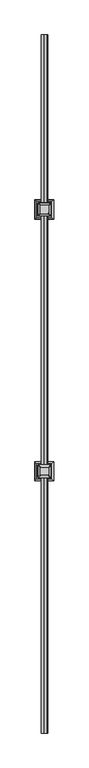
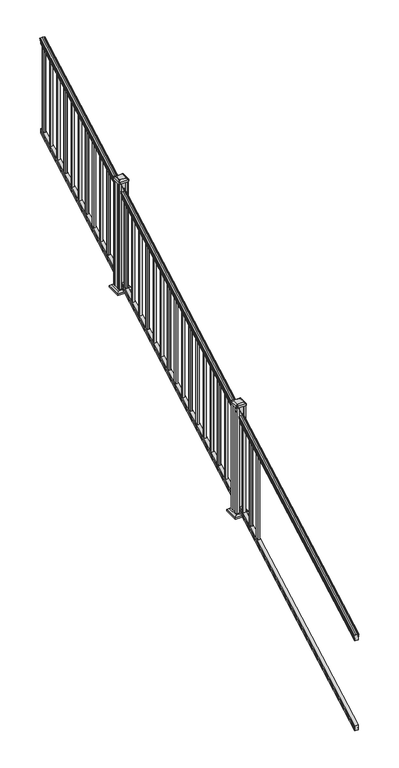
"""IFC4 building model written with IfcOpenShell, lengths in millimetres: railing geometry."""

from ifc_helpers import new_model, si_unit, point, frame, frame_2d, origin, place, context, project, spatial, polyline, circle_curve, ellipse_curve, trimmed, segment, composite_curve, outline, extrude, faceted_brep, source, transform, mapped, element, save
from ifc_brep_helpers import plane_surface, cylinder_surface, revolved_surface, extruded_surface, advanced_brep


def railing_5afc1cf2(model_context):
    return source(origin(), model_context, "Body", "SolidModel", [
        advanced_brep(
        [(7615.0270946, 1778.9805319, 1111.1933), (7615.0270946, 1778.9805319, 1113.3531886), (7616.1572809, 1778.9805319, 1115.140347), (7616.1572809, 1778.9805319, 1123.3974153), (7615.5080245, 1778.9805319, 1126.1811654), (7618.0080245, 1778.9805319, 1131.1346527), (7619.417367, 1778.9805319, 1133.0560334), (7619.819266, 1778.9805319, 1134.3198045), (7619.8192659, 1778.9805319, 1135.8530343), (7618.2658186, 1778.9805319, 1137.6301141), (7597.5942659, 1778.9805319, 1137.6301141), (7576.9227131, 1778.9805319, 1137.6301141), (7575.3692659, 1778.9805319, 1135.8530343), (7575.3692659, 1778.9805319, 1134.3198045), (7575.7711648, 1778.9805319, 1133.0560334), (7577.1805072, 1778.9805319, 1131.1346527), (7579.6805072, 1778.9805319, 1126.1811654), (7579.0312508, 1778.9805319, 1123.3974153), (7579.0312508, 1778.9805319, 1115.140347), (7580.1614371, 1778.9805319, 1113.3531886), (7580.1614371, 1778.9805319, 1111.1933), (7582.7352659, 1778.9805319, 1111.1933), (7582.7352659, 1778.9805319, 1099.182302), (7581.7192659, 1778.9805319, 1098.0200397), (7581.7192659, 1778.9805319, 1083.7333333), (7613.4692659, 1778.9805319, 1083.7333333), (7613.4692659, 1778.9805319, 1097.8395054), (7612.4532659, 1778.9805319, 1099.0017677), (7612.4532659, 1778.9805319, 1111.1933), (7615.0270946, 6655.7805319, 3820.5266334), (7612.4532659, 6655.7805319, 3820.5266334), (7612.4532659, 6655.7805319, 3808.335101), (7613.4692659, 6655.7805319, 3807.1728388), (7613.4692659, 6655.7805319, 3793.0666667), (7581.7192659, 6655.7805319, 3793.0666667), (7581.7192659, 6655.7805319, 3807.3533731), (7582.7352659, 6655.7805319, 3808.5156353), (7582.7352659, 6655.7805319, 3820.5266334), (7580.1614371, 6655.7805319, 3820.5266334), (7580.1614371, 6655.7805319, 3822.6865219), (7579.0312508, 6655.7805319, 3824.4736803), (7579.0312508, 6655.7805319, 3832.7307486), (7579.6805072, 6655.7805319, 3835.5144987), (7577.1805072, 6655.7805319, 3840.4679861), (7575.7711648, 6655.7805319, 3842.3893668), (7575.3692658, 6655.7805319, 3843.6531378), (7575.3692659, 6655.7805319, 3845.1863676), (7576.9227131, 6655.7805319, 3846.9634474), (7597.5942659, 6655.7805319, 3846.9634474), (7618.2658186, 6655.7805319, 3846.9634474), (7619.8192659, 6655.7805319, 3845.1863676), (7619.8192659, 6655.7805319, 3843.6531378), (7619.417367, 6655.7805319, 3842.3893668), (7618.0080245, 6655.7805319, 3840.4679861), (7615.5080245, 6655.7805319, 3835.5144987), (7616.1572809, 6655.7805319, 3832.7307486), (7616.1572809, 6655.7805319, 3824.4736803), (7615.0270946, 6655.7805319, 3822.6865219)],
        [
            (0, 1),
            (1, 2, ellipse_curve(frame((7608.7123413, 1778.9805319, 1119.9403628), z_axis=(0.0, -1.0, 0.0), x_axis=(0.0, 0.0, -0.9999999999999999)), 9.7762168, 8.545951)),
            (2, 3, ellipse_curve(frame((7609.1494043, 1778.9805319, 1119.2688811), z_axis=(0.0, -1.0, 0.0), x_axis=(0.0, 0.0, -0.9999999999999999)), 9.0173521, 7.882584)),
            (3, 4, ellipse_curve(frame((7619.6627284, 1778.9805319, 1125.9582895), z_axis=(0.0, 1.0, 0.0), x_axis=(0.0, 0.0, 0.9999999999999999)), 4.7580334, 4.1592695)),
            (4, 5, ellipse_curve(frame((7620.950035, 1778.9805319, 1125.8892329), z_axis=(0.0, 1.0, 0.0), x_axis=(0.0, 0.0, 0.9999999999999999)), 6.2322774, 5.4479907)),
            (5, 6, ellipse_curve(frame((7619.7168765, 1778.9805319, 1131.1314345), z_axis=(0.0, 1.0, 0.0), x_axis=(0.0, 0.0, 0.9999999999999999)), 1.9548591, 1.7088543)),
            (6, 7, ellipse_curve(frame((7618.0999764, 1778.9805319, 1134.3198045), z_axis=(0.0, -1.0, 0.0), x_axis=(0.0, 0.0, -0.9999999999999999)), 1.9667965, 1.7192895)),
            (7, 8),
            (8, 9, ellipse_curve(frame((7618.2658186, 1778.9805319, 1135.8530343), z_axis=(0.0, -1.0, 0.0), x_axis=(0.0, 0.0, -0.9999999999999999)), 1.7770798, 1.5534472)),
            (9, 10),
            (10, 11),
            (11, 12, ellipse_curve(frame((7576.9227131, 1778.9805319, 1135.8530343), z_axis=(0.0, -1.0, 0.0), x_axis=(0.0, 0.0, -0.9999999999999999)), 1.7770798, 1.5534472)),
            (12, 13),
            (13, 14, ellipse_curve(frame((7577.0885553, 1778.9805319, 1134.3198045), z_axis=(0.0, -1.0, 0.0), x_axis=(0.0, 0.0, -0.9999999999999999)), 1.9667965, 1.7192895)),
            (14, 15, ellipse_curve(frame((7575.4716552, 1778.9805319, 1131.1314345), z_axis=(0.0, 1.0, 0.0), x_axis=(0.0, 0.0, 0.9999999999999999)), 1.9548591, 1.7088543)),
            (15, 16, ellipse_curve(frame((7574.2384968, 1778.9805319, 1125.8892329), z_axis=(0.0, 1.0, 0.0), x_axis=(0.0, 0.0, 0.9999999999999999)), 6.2322774, 5.4479907)),
            (16, 17, ellipse_curve(frame((7575.5258033, 1778.9805319, 1125.9582895), z_axis=(0.0, 1.0, 0.0), x_axis=(0.0, 0.0, 0.9999999999999999)), 4.7580334, 4.1592695)),
            (17, 18, ellipse_curve(frame((7586.0391275, 1778.9805319, 1119.2688811), z_axis=(0.0, -1.0, 0.0), x_axis=(0.0, 0.0, -0.9999999999999999)), 9.0173521, 7.882584)),
            (18, 19, ellipse_curve(frame((7586.4761904, 1778.9805319, 1119.9403628), z_axis=(0.0, -1.0, 0.0), x_axis=(0.0, 0.0, -0.9999999999999999)), 9.7762168, 8.545951)),
            (19, 20),
            (20, 21, ellipse_curve(frame((7581.4483515, 1778.9805319, 1111.1933), z_axis=(0.0, -1.0, 0.0), x_axis=(0.0, 0.0, -0.9999999999999999)), 1.4721772, 1.2869144)),
            (21, 22),
            (22, 23),
            (23, 24),
            (24, 25),
            (25, 26),
            (26, 27),
            (27, 28),
            (28, 0, ellipse_curve(frame((7613.7401802, 1778.9805319, 1111.1933), z_axis=(0.0, -1.0, 0.0), x_axis=(0.0, 0.0, -0.9999999999999999)), 1.4721772, 1.2869144)),
            (29, 30, ellipse_curve(frame((7613.7401802, 6655.7805319, 3820.5266334), z_axis=(0.0, 1.0, 0.0), x_axis=(0.0, 0.0, -0.9999999999999999)), 1.4721772, 1.2869144)),
            (30, 31),
            (31, 32),
            (32, 33),
            (33, 34),
            (34, 35),
            (35, 36),
            (36, 37),
            (37, 38, ellipse_curve(frame((7581.4483515, 6655.7805319, 3820.5266334), z_axis=(0.0, 1.0, 0.0), x_axis=(0.0, 0.0, -0.9999999999999999)), 1.4721772, 1.2869144)),
            (38, 39),
            (39, 40, ellipse_curve(frame((7586.4761904, 6655.7805319, 3829.2736961), z_axis=(0.0, 1.0, 0.0), x_axis=(0.0, 0.0, -0.9999999999999999)), 9.7762168, 8.545951)),
            (40, 41, ellipse_curve(frame((7586.0391275, 6655.7805319, 3828.6022145), z_axis=(0.0, 1.0, 0.0), x_axis=(0.0, 0.0, -0.9999999999999999)), 9.0173521, 7.882584)),
            (41, 42, ellipse_curve(frame((7575.5258033, 6655.7805319, 3835.2916228), z_axis=(0.0, -1.0, 0.0), x_axis=(0.0, 0.0, 0.9999999999999999)), 4.7580334, 4.1592695)),
            (42, 43, ellipse_curve(frame((7574.2384968, 6655.7805319, 3835.2225663), z_axis=(0.0, -1.0, 0.0), x_axis=(0.0, 0.0, 0.9999999999999999)), 6.2322774, 5.4479907)),
            (43, 44, ellipse_curve(frame((7575.4716552, 6655.7805319, 3840.4647678), z_axis=(0.0, -1.0, 0.0), x_axis=(0.0, 0.0, 0.9999999999999999)), 1.9548591, 1.7088543)),
            (44, 45, ellipse_curve(frame((7577.0885553, 6655.7805319, 3843.6531378), z_axis=(0.0, 1.0, 0.0), x_axis=(0.0, 0.0, -0.9999999999999999)), 1.9667965, 1.7192895)),
            (45, 46),
            (46, 47, ellipse_curve(frame((7576.9227131, 6655.7805319, 3845.1863676), z_axis=(0.0, 1.0, 0.0), x_axis=(0.0, 0.0, -0.9999999999999999)), 1.7770798, 1.5534472)),
            (47, 48),
            (48, 49),
            (49, 50, ellipse_curve(frame((7618.2658186, 6655.7805319, 3845.1863676), z_axis=(0.0, 1.0, 0.0), x_axis=(0.0, 0.0, -0.9999999999999999)), 1.7770798, 1.5534472)),
            (50, 51),
            (51, 52, ellipse_curve(frame((7618.0999764, 6655.7805319, 3843.6531378), z_axis=(0.0, 1.0, 0.0), x_axis=(0.0, 0.0, -0.9999999999999999)), 1.9667965, 1.7192895)),
            (52, 53, ellipse_curve(frame((7619.7168765, 6655.7805319, 3840.4647678), z_axis=(0.0, -1.0, 0.0), x_axis=(0.0, 0.0, 0.9999999999999999)), 1.9548591, 1.7088543)),
            (53, 54, ellipse_curve(frame((7620.950035, 6655.7805319, 3835.2225663), z_axis=(0.0, -1.0, 0.0), x_axis=(0.0, 0.0, 0.9999999999999999)), 6.2322774, 5.4479907)),
            (54, 55, ellipse_curve(frame((7619.6627284, 6655.7805319, 3835.2916228), z_axis=(0.0, -1.0, 0.0), x_axis=(0.0, 0.0, 0.9999999999999999)), 4.7580334, 4.1592695)),
            (55, 56, ellipse_curve(frame((7609.1494043, 6655.7805319, 3828.6022145), z_axis=(0.0, 1.0, 0.0), x_axis=(0.0, 0.0, -0.9999999999999999)), 9.0173521, 7.882584)),
            (56, 57, ellipse_curve(frame((7608.7123413, 6655.7805319, 3829.2736961), z_axis=(0.0, 1.0, 0.0), x_axis=(0.0, 0.0, -0.9999999999999999)), 9.7762168, 8.545951)),
            (57, 29),
            (0, 29),
            (57, 1),
            (56, 2),
            (55, 3),
            (54, 4),
            (53, 5),
            (52, 6),
            (51, 7),
            (50, 8),
            (49, 9),
            (48, 10),
            (47, 11),
            (46, 12),
            (45, 13),
            (44, 14),
            (43, 15),
            (42, 16),
            (41, 17),
            (40, 18),
            (39, 19),
            (38, 20),
            (37, 21),
            (36, 22),
            (35, 23),
            (34, 24),
            (33, 25),
            (32, 26),
            (31, 27),
            (30, 28),
        ],
        [
            plane_surface(frame((7597.5942659, 1778.9805319, 1083.7333333), z_axis=(0.0, -1.0, 0.0), x_axis=(0.0, 0.0, 1.0))),
            plane_surface(frame((7597.5942659, 6655.7805319, 3793.0666667), z_axis=(0.0, 1.0, 0.0), x_axis=(0.0, 0.0, 1.0))),
            plane_surface(frame((7615.0270946, 1778.9805319, 1111.1933), z_axis=(1.0, 0.0, 0.0), x_axis=(0.0, 0.8741572761215701, 0.48564293117857393))),
            cylinder_surface(frame((7608.7123413, 1763.6096232, 1111.4009691), z_axis=(0.0, -0.8741572761215701, -0.48564293117857393), x_axis=(-1.0, 0.0, 0.0)), 8.545951),
            cylinder_surface(frame((7609.1494043, 1763.8946861, 1110.8878557), z_axis=(0.0, -0.8741572761215701, -0.48564293117857393), x_axis=(-1.0, 0.0, 0.0)), 7.882584),
            revolved_surface(polyline([(7615.5034589, 6657.800451744521, 3836.413800479863), (7615.5034589, 1776.9606120792462, 1124.8361117773575)]), (7619.6627284, 1761.054843, 1115.9995734), (0.0, 0.8741572761215701, 0.48564293117857393)),
            revolved_surface(polyline([(7615.502044299999, 6658.426310041691, 3836.692443044957), (7615.502044299999, 1776.3347537301895, 1124.4193562056596)]), (7620.950035, 1761.0841594, 1115.9468038), (0.0, 0.8741572761215701, 0.48564293117857393)),
            revolved_surface(polyline([(7618.0080222, 6656.610424923767, 3840.925819457221), (7618.0080222, 1778.1506389094347, 1130.6703827830177)]), (7619.7168765, 1758.8586965, 1119.952637), (0.0, 0.8741572761215701, 0.48564293117857393)),
            cylinder_surface(frame((7618.0999764, 1757.5051432, 1122.389033), z_axis=(0.0, -0.8741572761215701, -0.48564293117857393), x_axis=(-1.0, 0.0, 0.0)), 1.7192895),
            plane_surface(frame((7619.8192659, 1778.9805319, 1134.3198045), z_axis=(1.0000000000000002, 0.0, 0.0), x_axis=(0.0, 0.8741572761215701, 0.48564293117857404))),
            cylinder_surface(frame((7618.2658186, 1756.8542438, 1123.560652), z_axis=(0.0, -0.8741572761215701, -0.48564293117857393), x_axis=(-1.0, 0.0, 0.0)), 1.5534472),
            plane_surface(frame((7618.2658186, 1778.9805319, 1137.6301141), z_axis=(0.0, -0.485642931178574, 0.8741572761215701), x_axis=(0.0, 0.8741572761215701, 0.485642931178574))),
            plane_surface(frame((7597.5942659, 1778.9805319, 1137.6301141), z_axis=(0.0, -0.485642931178574, 0.8741572761215701), x_axis=(0.0, 0.8741572761215701, 0.485642931178574))),
            cylinder_surface(frame((7576.9227131, 1756.8542438, 1123.560652), z_axis=(0.0, -0.8741572761215701, -0.48564293117857393), x_axis=(1.0, 0.0, 0.0)), 1.5534472),
            plane_surface(frame((7575.3692659, 1778.9805319, 1135.8530343), z_axis=(-1.0000000000000002, 0.0, 0.0), x_axis=(0.0, 0.8741572761215701, 0.485642931178574))),
            cylinder_surface(frame((7577.0885553, 1757.5051432, 1122.389033), z_axis=(0.0, -0.8741572761215701, -0.48564293117857393), x_axis=(1.0, 0.0, 0.0)), 1.7192895),
            revolved_surface(polyline([(7577.1805095, 6656.610424923767, 3840.925819457221), (7577.1805095, 1778.1506389094347, 1130.6703827830177)]), (7575.4716552, 1758.8586965, 1119.952637), (0.0, 0.8741572761215701, 0.48564293117857393)),
            revolved_surface(polyline([(7579.6864875, 6658.426310041691, 3836.692443044957), (7579.6864875, 1776.3347537301895, 1124.4193562056596)]), (7574.2384968, 1761.0841594, 1115.9468038), (0.0, 0.8741572761215701, 0.48564293117857393)),
            revolved_surface(polyline([(7579.6850728, 6657.800451744521, 3836.413800479863), (7579.6850728, 1776.9606120792462, 1124.8361117773575)]), (7575.5258033, 1761.054843, 1115.9995734), (0.0, 0.8741572761215701, 0.48564293117857393)),
            cylinder_surface(frame((7586.0391275, 1763.8946861, 1110.8878557), z_axis=(0.0, -0.8741572761215701, -0.48564293117857393), x_axis=(1.0, 0.0, 0.0)), 7.882584),
            cylinder_surface(frame((7586.4761904, 1763.6096232, 1111.4009691), z_axis=(0.0, -0.8741572761215701, -0.48564293117857393), x_axis=(1.0, 0.0, 0.0)), 8.545951),
            plane_surface(frame((7580.1614371, 1778.9805319, 1113.3531886), z_axis=(-1.0000000000000002, 0.0, 0.0), x_axis=(0.0, 0.8741572761215701, 0.485642931178574))),
            cylinder_surface(frame((7581.4483515, 1767.3229989, 1104.7168928), z_axis=(0.0, -0.8741572761215701, -0.48564293117857393), x_axis=(1.0, 0.0, 0.0)), 1.2869144),
            plane_surface(frame((7582.7352659, 1778.9805319, 1111.1933), z_axis=(-1.0, 0.0, 0.0), x_axis=(0.0, 0.8741572761215701, 0.48564293117857393))),
            plane_surface(frame((7582.7352659, 1778.9805319, 1099.182302), z_axis=(-0.7071067811865438, -0.3434014098716825, 0.6181225377691273), x_axis=(0.0, 0.8741572761215701, 0.485642931178574))),
            plane_surface(frame((7581.7192659, 1778.9805319, 1098.0200397), z_axis=(-1.0000000000000002, 0.0, 0.0), x_axis=(0.0, 0.8741572761215701, 0.485642931178574))),
            plane_surface(frame((7581.7192659, 1778.9805319, 1083.7333333), z_axis=(0.0, 0.485642931178574, -0.8741572761215701), x_axis=(0.0, 0.8741572761215701, 0.485642931178574))),
            plane_surface(frame((7613.4692659, 1778.9805319, 1083.7333333), z_axis=(1.0, 0.0, 0.0), x_axis=(0.0, 0.8741572761215701, 0.4856429311785738))),
            plane_surface(frame((7613.4692659, 1778.9805319, 1097.8395054), z_axis=(0.7071067811865389, -0.3434014098716865, 0.6181225377691305), x_axis=(0.0, 0.8741572761215701, 0.485642931178574))),
            plane_surface(frame((7612.4532659, 1778.9805319, 1099.0017677), z_axis=(1.0000000000000002, 0.0, 0.0), x_axis=(0.0, 0.8741572761215701, 0.485642931178574))),
            cylinder_surface(frame((7613.7401802, 1767.3229989, 1104.7168928), z_axis=(0.0, -0.8741572761215701, -0.48564293117857393), x_axis=(-1.0, 0.0, 0.0)), 1.2869144),
        ],
        [
            (0, [[1, 2, 3, 4, 5, 6, 7, 8, 9, 10, 11, 12, 13, 14, 15, 16, 17, 18, 19, 20, 21, 22, 23, 24, 25, 26, 27, 28, 29]]),
            (1, [[30, 31, 32, 33, 34, 35, 36, 37, 38, 39, 40, 41, 42, 43, 44, 45, 46, 47, 48, 49, 50, 51, 52, 53, 54, 55, 56, 57, 58]]),
            (2, [[-1, 59, -58, 60]]),
            (3, [[-2, -60, -57, 61]]),
            (4, [[-3, -61, -56, 62]]),
            (5, [[-4, -62, -55, 63]]),
            (6, [[-5, -63, -54, 64]]),
            (7, [[-6, -64, -53, 65]]),
            (8, [[-7, -65, -52, 66]]),
            (9, [[-8, -66, -51, 67]]),
            (10, [[-9, -67, -50, 68]]),
            (11, [[-10, -68, -49, 69]]),
            (12, [[-11, -69, -48, 70]]),
            (13, [[-12, -70, -47, 71]]),
            (14, [[-13, -71, -46, 72]]),
            (15, [[-14, -72, -45, 73]]),
            (16, [[-15, -73, -44, 74]]),
            (17, [[-16, -74, -43, 75]]),
            (18, [[-17, -75, -42, 76]]),
            (19, [[-18, -76, -41, 77]]),
            (20, [[-19, -77, -40, 78]]),
            (21, [[-20, -78, -39, 79]]),
            (22, [[-21, -79, -38, 80]]),
            (23, [[-22, -80, -37, 81]]),
            (24, [[-23, -81, -36, 82]]),
            (25, [[-24, -82, -35, 83]]),
            (26, [[-25, -83, -34, 84]]),
            (27, [[-26, -84, -33, 85]]),
            (28, [[-27, -85, -32, 86]]),
            (29, [[-28, -86, -31, 87]]),
            (30, [[-29, -87, -30, -59]]),
        ],
    ),
        faceted_brep([(7613.5067528, 1778.9805319, 247.1948195), (7612.4907528, 1778.9805319, 248.6824473), (7612.4907528, 1778.9805319, 260.5333506), (7613.5067528, 1778.9805319, 262.0757247), (7613.5067528, 1778.9805319, 276.4134523), (7581.7567528, 1778.9805319, 276.4134523), (7581.7567528, 1778.9805319, 262.0566814), (7582.7727528, 1778.9805319, 260.5143074), (7582.7727528, 1778.9805319, 248.7181503), (7581.7567528, 1778.9805319, 247.1757762), (7581.7567528, 1778.9805319, 232.8333333), (7613.5067528, 1778.9805319, 232.8333333), (7613.5067528, 6655.7805319, 2956.5281528), (7613.5067528, 6655.7805319, 2942.1666667), (7581.7567528, 6655.7805319, 2942.1666667), (7581.7567528, 6655.7805319, 2956.5091096), (7582.7727528, 6655.7805319, 2958.0514837), (7582.7727528, 6655.7805319, 2969.8476407), (7581.7567528, 6655.7805319, 2971.3900148), (7581.7567528, 6655.7805319, 2985.7467856), (7613.5067528, 6655.7805319, 2985.7467856), (7613.5067528, 6655.7805319, 2971.409058), (7612.4907528, 6655.7805319, 2969.8666839), (7612.4907528, 6655.7805319, 2958.0157807)], [[[0, 1, 2, 3, 4, 5, 6, 7, 8, 9, 10, 11]], [[12, 13, 14, 15, 16, 17, 18, 19, 20, 21, 22, 23]], [[1, 0, 12, 23]], [[2, 1, 23, 22]], [[3, 2, 22, 21]], [[4, 3, 21, 20]], [[5, 4, 20, 19]], [[6, 5, 19, 18]], [[7, 6, 18, 17]], [[8, 7, 17, 16]], [[9, 8, 16, 15]], [[10, 9, 15, 14]], [[11, 10, 14, 13]], [[0, 11, 13, 12]]]),
        extrude(outline(polyline([(7607.1192659, 6619.2680319), (7588.0692659, 6619.2680319), (7588.0692659, 6638.3180319), (7607.1192659, 6638.3180319), (7607.1192659, 6619.2680319)]), holes=[polyline([(7606.7223909, 6619.6649069), (7606.7223909, 6637.9211569), (7588.4661409, 6637.9211569), (7588.4661409, 6619.6649069), (7606.7223909, 6619.6649069)])]), frame((0.0, 0.0, 2965.2694892), z_axis=(0.0, 0.0, 1.0), x_axis=(1.0, 0.0, 0.0)), (0.0, 0.0, 1.0), 812.8041219),
        extrude(outline(polyline([(7607.1192659, 6508.1430319), (7588.0692659, 6508.1430319), (7588.0692659, 6527.1930319), (7607.1192659, 6527.1930319), (7607.1192659, 6508.1430319)]), holes=[polyline([(7606.7223909, 6508.5399069), (7606.7223909, 6526.7961569), (7588.4661409, 6526.7961569), (7588.4661409, 6508.5399069), (7606.7223909, 6508.5399069)])]), frame((0.0, 0.0, 2903.5333781), z_axis=(0.0, 0.0, 1.0), x_axis=(1.0, 0.0, 0.0)), (0.0, 0.0, 1.0), 812.8041219),
        extrude(outline(polyline([(7607.1192659, 6397.0180319), (7588.0692659, 6397.0180319), (7588.0692659, 6416.0680319), (7607.1192659, 6416.0680319), (7607.1192659, 6397.0180319)]), holes=[polyline([(7606.7223909, 6397.4149069), (7606.7223909, 6415.6711569), (7588.4661409, 6415.6711569), (7588.4661409, 6397.4149069), (7606.7223909, 6397.4149069)])]), frame((0.0, 0.0, 2841.797267), z_axis=(0.0, 0.0, 1.0), x_axis=(1.0, 0.0, 0.0)), (0.0, 0.0, 1.0), 812.8041219),
        extrude(outline(polyline([(7607.1192659, 6285.8930319), (7588.0692659, 6285.8930319), (7588.0692659, 6304.9430319), (7607.1192659, 6304.9430319), (7607.1192659, 6285.8930319)]), holes=[polyline([(7606.7223909, 6286.2899069), (7606.7223909, 6304.5461569), (7588.4661409, 6304.5461569), (7588.4661409, 6286.2899069), (7606.7223909, 6286.2899069)])]), frame((0.0, 0.0, 2780.0611558), z_axis=(0.0, 0.0, 1.0), x_axis=(1.0, 0.0, 0.0)), (0.0, 0.0, 1.0), 812.8041219),
        extrude(outline(polyline([(7607.1192659, 6174.7680319), (7588.0692659, 6174.7680319), (7588.0692659, 6193.8180319), (7607.1192659, 6193.8180319), (7607.1192659, 6174.7680319)]), holes=[polyline([(7606.7223909, 6175.1649069), (7606.7223909, 6193.4211569), (7588.4661409, 6193.4211569), (7588.4661409, 6175.1649069), (7606.7223909, 6175.1649069)])]), frame((0.0, 0.0, 2718.3250447), z_axis=(0.0, 0.0, 1.0), x_axis=(1.0, 0.0, 0.0)), (0.0, 0.0, 1.0), 812.8041219),
        extrude(outline(polyline([(7607.1192659, 6063.6430319), (7588.0692659, 6063.6430319), (7588.0692659, 6082.6930319), (7607.1192659, 6082.6930319), (7607.1192659, 6063.6430319)]), holes=[polyline([(7606.7223909, 6064.0399069), (7606.7223909, 6082.2961569), (7588.4661409, 6082.2961569), (7588.4661409, 6064.0399069), (7606.7223909, 6064.0399069)])]), frame((0.0, 0.0, 2656.5889336), z_axis=(0.0, 0.0, 1.0), x_axis=(1.0, 0.0, 0.0)), (0.0, 0.0, 1.0), 812.8041219),
        extrude(outline(polyline([(7607.1192659, 5952.5180319), (7588.0692659, 5952.5180319), (7588.0692659, 5971.5680319), (7607.1192659, 5971.5680319), (7607.1192659, 5952.5180319)]), holes=[polyline([(7606.7223909, 5952.9149069), (7606.7223909, 5971.1711569), (7588.4661409, 5971.1711569), (7588.4661409, 5952.9149069), (7606.7223909, 5952.9149069)])]), frame((0.0, 0.0, 2594.8528225), z_axis=(0.0, 0.0, 1.0), x_axis=(1.0, 0.0, 0.0)), (0.0, 0.0, 1.0), 812.8041219),
        extrude(outline(polyline([(7607.1192659, 5841.3930319), (7588.0692659, 5841.3930319), (7588.0692659, 5860.4430319), (7607.1192659, 5860.4430319), (7607.1192659, 5841.3930319)]), holes=[polyline([(7606.7223909, 5841.7899069), (7606.7223909, 5860.0461569), (7588.4661409, 5860.0461569), (7588.4661409, 5841.7899069), (7606.7223909, 5841.7899069)])]), frame((0.0, 0.0, 2533.1167114), z_axis=(0.0, 0.0, 1.0), x_axis=(1.0, 0.0, 0.0)), (0.0, 0.0, 1.0), 812.8041219),
        extrude(outline(polyline([(7607.1192659, 5730.2680319), (7588.0692659, 5730.2680319), (7588.0692659, 5749.3180319), (7607.1192659, 5749.3180319), (7607.1192659, 5730.2680319)]), holes=[polyline([(7606.7223909, 5730.6649069), (7606.7223909, 5748.9211569), (7588.4661409, 5748.9211569), (7588.4661409, 5730.6649069), (7606.7223909, 5730.6649069)])]), frame((0.0, 0.0, 2471.3806003), z_axis=(0.0, 0.0, 1.0), x_axis=(1.0, 0.0, 0.0)), (0.0, 0.0, 1.0), 812.8041219),
        extrude(outline(polyline([(7607.1192659, 5619.1430319), (7588.0692659, 5619.1430319), (7588.0692659, 5638.1930319), (7607.1192659, 5638.1930319), (7607.1192659, 5619.1430319)]), holes=[polyline([(7606.7223909, 5619.5399069), (7606.7223909, 5637.7961569), (7588.4661409, 5637.7961569), (7588.4661409, 5619.5399069), (7606.7223909, 5619.5399069)])]), frame((0.0, 0.0, 2409.6444892), z_axis=(0.0, 0.0, 1.0), x_axis=(1.0, 0.0, 0.0)), (0.0, 0.0, 1.0), 812.8041219),
        extrude(outline(polyline([(7607.1192659, 5508.0180319), (7588.0692659, 5508.0180319), (7588.0692659, 5527.0680319), (7607.1192659, 5527.0680319), (7607.1192659, 5508.0180319)]), holes=[polyline([(7606.7223909, 5508.4149069), (7606.7223909, 5526.6711569), (7588.4661409, 5526.6711569), (7588.4661409, 5508.4149069), (7606.7223909, 5508.4149069)])]), frame((0.0, 0.0, 2347.9083781), z_axis=(0.0, 0.0, 1.0), x_axis=(1.0, 0.0, 0.0)), (0.0, 0.0, 1.0), 812.8041219),
        faceted_brep([(7650.1802034, 5383.9945944, 2229.9083333), (7650.1802034, 5489.1664694, 2229.9083333), (7545.0083284, 5489.1664694, 2229.9083333), (7545.0083284, 5383.9945944, 2229.9083333), (7664.2196565, 5369.9551413, 2216.5733333), (7530.9688753, 5369.9551413, 2216.5733333), (7530.9688753, 5503.2059225, 2216.5733333), (7664.2196565, 5503.2059225, 2216.5733333)], [[[0, 1, 2, 3]], [[4, 5, 6, 7]], [[4, 0, 3, 5]], [[5, 3, 2, 6]], [[6, 2, 1, 7]], [[7, 1, 0, 4]]]),
        extrude(outline(polyline([(7664.2196565, 5369.9551413), (7530.9688753, 5369.9551413), (7530.9688753, 5503.2059225), (7664.2196565, 5503.2059225), (7664.2196565, 5369.9551413)])), frame((0.0, 0.0, 2201.3333333), z_axis=(0.0, 0.0, 1.0), x_axis=(1.0, 0.0, 0.0)), (0.0, 0.0, 1.0), 15.24),
        advanced_brep(
        [(7571.7973909, 5407.6086569, 3261.2725964), (7623.3911409, 5407.6086569, 3261.2725964), (7626.5661409, 5410.7836569, 3261.2725964), (7626.5661409, 5462.3774069, 3261.2725964), (7623.3911409, 5465.5524069, 3261.2725964), (7571.7973909, 5465.5524069, 3261.2725964), (7568.6223909, 5462.3774069, 3261.2725964), (7568.6223909, 5410.7836569, 3261.2725964), (7555.5255159, 5391.3367819, 3249.9695964), (7552.3505159, 5394.5117819, 3249.9695964), (7552.3505159, 5478.6492819, 3249.9695964), (7555.5255159, 5481.8242819, 3249.9695964), (7639.6630159, 5481.8242819, 3249.9695964), (7642.8380159, 5478.6492819, 3249.9695964), (7642.8380159, 5394.5117819, 3249.9695964), (7639.6630159, 5391.3367819, 3249.9695964)],
        [
            (0, 1),
            (1, 2, circle_curve(frame((7623.3911409, 5410.7836569, 3261.2725964), z_axis=(0.0, 0.0, 1.0), x_axis=(0.0, 1.0, 0.0)), 3.175)),
            (2, 3),
            (3, 4, circle_curve(frame((7623.3911409, 5462.3774069, 3261.2725964), z_axis=(0.0, 0.0, 1.0), x_axis=(0.0, 1.0, 0.0)), 3.175)),
            (4, 5),
            (5, 6, circle_curve(frame((7571.7973909, 5462.3774069, 3261.2725964), z_axis=(0.0, 0.0, 1.0), x_axis=(0.0, 1.0, 0.0)), 3.175)),
            (6, 7),
            (7, 0, circle_curve(frame((7571.7973909, 5410.7836569, 3261.2725964), z_axis=(0.0, 0.0, 1.0), x_axis=(0.0, 1.0, 0.0)), 3.175)),
            (8, 9, circle_curve(frame((7555.5255159, 5394.5117819, 3249.9695964), z_axis=(0.0, 0.0, -1.0), x_axis=(0.0, 1.0, 0.0)), 3.175)),
            (9, 10),
            (10, 11, circle_curve(frame((7555.5255159, 5478.6492819, 3249.9695964), z_axis=(0.0, 0.0, -1.0), x_axis=(0.0, 1.0, 0.0)), 3.175)),
            (11, 12),
            (12, 13, circle_curve(frame((7639.6630159, 5478.6492819, 3249.9695964), z_axis=(0.0, 0.0, -1.0), x_axis=(0.0, 1.0, 0.0)), 3.175)),
            (13, 14),
            (14, 15, circle_curve(frame((7639.6630159, 5394.5117819, 3249.9695964), z_axis=(0.0, 0.0, -1.0), x_axis=(0.0, 1.0, 0.0)), 3.175)),
            (15, 8),
            (8, 0),
            (7, 9),
            (6, 10),
            (5, 11),
            (4, 12),
            (3, 13),
            (2, 14),
            (1, 15),
        ],
        [
            plane_surface(frame((7597.5942659, 5436.5805319, 3261.2725964), z_axis=(0.0, 0.0, 1.0), x_axis=(-1.0, 0.0, 0.0))),
            plane_surface(frame((7597.5942659, 5436.5805319, 3249.9695964), z_axis=(0.0, 0.0, -1.0), x_axis=(-1.0, 0.0, 0.0))),
            extruded_surface(trimmed(circle_curve(frame((7571.7973909, 5410.7836569, 3261.2725964), z_axis=(0.0, 0.0, -1.0), x_axis=(0.0, 1.0, 0.0)), 3.175), [point((7571.7973909, 5407.6086569, 3261.2725964))], [point((7568.6223909, 5410.7836569, 3261.2725964))], True, "CARTESIAN"), (-16.271875000000364, -16.271875000000364, -11.303000000000338), 25.637972638866774),
            plane_surface(frame((7552.3505159, 5436.5805319, 3249.9695964), z_axis=(-0.5705009161540778, 0.0, 0.8212969649690408), x_axis=(0.0, 1.0, 0.0))),
            extruded_surface(trimmed(circle_curve(frame((7571.7973909, 5462.3774069, 3261.2725964), z_axis=(0.0, 0.0, -1.0), x_axis=(0.0, 1.0, 0.0)), 3.175), [point((7568.6223909, 5462.3774069, 3261.2725964))], [point((7571.7973909, 5465.5524069, 3261.2725964))], True, "CARTESIAN"), (-16.271875000000364, 16.271874999999454, -11.303000000000338), 25.6379726388662),
            plane_surface(frame((7597.5942659, 5481.8242819, 3249.9695964), z_axis=(0.0, 0.5705009161540291, 0.8212969649690747), x_axis=(1.0, 0.0, 0.0))),
            extruded_surface(trimmed(circle_curve(frame((7623.3911409, 5462.3774069, 3261.2725964), z_axis=(0.0, 0.0, -1.0), x_axis=(0.0, 1.0, 0.0)), 3.175), [point((7623.3911409, 5465.5524069, 3261.2725964))], [point((7626.5661409, 5462.3774069, 3261.2725964))], True, "CARTESIAN"), (16.271874999999454, 16.271874999999454, -11.303000000000338), 25.63797263886562),
            plane_surface(frame((7642.8380159, 5436.5805319, 3249.9695964), z_axis=(0.5705009161540142, 0.0, 0.8212969649690851), x_axis=(0.0, -1.0, 0.0))),
            extruded_surface(trimmed(circle_curve(frame((7623.3911409, 5410.7836569, 3261.2725964), z_axis=(0.0, 0.0, -1.0), x_axis=(0.0, 1.0, 0.0)), 3.175), [point((7626.5661409, 5410.7836569, 3261.2725964))], [point((7623.3911409, 5407.6086569, 3261.2725964))], True, "CARTESIAN"), (16.271874999999454, -16.271875000000364, -11.303000000000338), 25.6379726388662),
            plane_surface(frame((7597.5942659, 5391.3367819, 3249.9695964), z_axis=(0.0, -0.570500916154034, 0.8212969649690713), x_axis=(-1.0, 0.0, 0.0))),
        ],
        [
            (0, [[1, 2, 3, 4, 5, 6, 7, 8]]),
            (1, [[9, 10, 11, 12, 13, 14, 15, 16]]),
            (2, [[17, -8, 18, -9]]),
            (3, [[-18, -7, 19, -10]]),
            (4, [[-19, -6, 20, -11]]),
            (5, [[-20, -5, 21, -12]]),
            (6, [[-21, -4, 22, -13]]),
            (7, [[-22, -3, 23, -14]]),
            (8, [[-23, -2, 24, -15]]),
            (9, [[-24, -1, -17, -16]]),
        ],
    ),
        extrude(outline(composite_curve([segment(trimmed(circle_curve(frame_2d((7555.5255159, 5394.5117819)), 3.175), [point((7555.5255159, 5391.3367819))], [point((7552.3505159, 5394.5117819))], False, "CARTESIAN"), True, "CONTINUOUS"), segment(polyline([(7552.3505159, 5394.5117819), (7552.3505159, 5478.6492819)]), True, "CONTINUOUS"), segment(trimmed(circle_curve(frame_2d((7555.5255159, 5478.6492819)), 3.175), [point((7552.3505159, 5478.6492819))], [point((7555.5255159, 5481.8242819))], False, "CARTESIAN"), True, "CONTINUOUS"), segment(polyline([(7555.5255159, 5481.8242819), (7639.6630159, 5481.8242819)]), True, "CONTINUOUS"), segment(trimmed(circle_curve(frame_2d((7639.6630159, 5478.6492819)), 3.175), [point((7639.6630159, 5481.8242819))], [point((7642.8380159, 5478.6492819))], False, "CARTESIAN"), True, "CONTINUOUS"), segment(polyline([(7642.8380159, 5478.6492819), (7642.8380159, 5394.5117819)]), True, "CONTINUOUS"), segment(trimmed(circle_curve(frame_2d((7639.6630159, 5394.5117819)), 3.175), [point((7642.8380159, 5394.5117819))], [point((7639.6630159, 5391.3367819))], False, "CARTESIAN"), True, "CONTINUOUS"), segment(polyline([(7639.6630159, 5391.3367819), (7555.5255159, 5391.3367819)]), True, "CONTINUOUS")], self_intersect=False)), frame((0.0, 0.0, 3232.6975964), z_axis=(0.0, 0.0, 1.0), x_axis=(1.0, 0.0, 0.0)), (0.0, 0.0, 1.0), 17.272),
        extrude(outline(polyline([(7557.9067659, 5395.3055319), (7556.3192659, 5396.8930319), (7556.3192659, 5416.5145319), (7557.9067659, 5417.2765319), (7557.9067659, 5455.8845319), (7556.3192659, 5456.6465319), (7556.3192659, 5476.2680319), (7557.9067659, 5477.8555319), (7577.5282659, 5477.8555319), (7578.2902659, 5476.2680319), (7616.8982659, 5476.2680319), (7617.6602659, 5477.8555319), (7637.2817659, 5477.8555319), (7638.8692659, 5476.2680319), (7638.8692659, 5456.6465319), (7637.2817659, 5455.8845319), (7637.2817659, 5417.2765319), (7638.8692659, 5416.5145319), (7638.8692659, 5396.8930319), (7637.2817659, 5395.3055319), (7617.6602659, 5395.3055319), (7616.8982659, 5396.8930319), (7578.2902659, 5396.8930319), (7577.5282659, 5395.3055319), (7557.9067659, 5395.3055319)])), frame((0.0, 0.0, 2201.3333333), z_axis=(0.0, 0.0, 1.0), x_axis=(1.0, 0.0, 0.0)), (0.0, 0.0, 1.0), 1031.364263),
        extrude(outline(polyline([(7607.1192659, 5346.0930319), (7588.0692659, 5346.0930319), (7588.0692659, 5365.1430319), (7607.1192659, 5365.1430319), (7607.1192659, 5346.0930319)]), holes=[polyline([(7606.7223909, 5346.4899069), (7606.7223909, 5364.7461569), (7588.4661409, 5364.7461569), (7588.4661409, 5346.4899069), (7606.7223909, 5346.4899069)])]), frame((0.0, 0.0, 2257.9500447), z_axis=(0.0, 0.0, 1.0), x_axis=(1.0, 0.0, 0.0)), (0.0, 0.0, 1.0), 812.8041219),
        extrude(outline(polyline([(7607.1192659, 5234.9680319), (7588.0692659, 5234.9680319), (7588.0692659, 5254.0180319), (7607.1192659, 5254.0180319), (7607.1192659, 5234.9680319)]), holes=[polyline([(7606.7223909, 5235.3649069), (7606.7223909, 5253.6211569), (7588.4661409, 5253.6211569), (7588.4661409, 5235.3649069), (7606.7223909, 5235.3649069)])]), frame((0.0, 0.0, 2196.2139336), z_axis=(0.0, 0.0, 1.0), x_axis=(1.0, 0.0, 0.0)), (0.0, 0.0, 1.0), 812.8041219),
        extrude(outline(polyline([(7607.1192659, 5123.8430319), (7588.0692659, 5123.8430319), (7588.0692659, 5142.8930319), (7607.1192659, 5142.8930319), (7607.1192659, 5123.8430319)]), holes=[polyline([(7606.7223909, 5124.2399069), (7606.7223909, 5142.4961569), (7588.4661409, 5142.4961569), (7588.4661409, 5124.2399069), (7606.7223909, 5124.2399069)])]), frame((0.0, 0.0, 2134.4778225), z_axis=(0.0, 0.0, 1.0), x_axis=(1.0, 0.0, 0.0)), (0.0, 0.0, 1.0), 812.8041219),
        extrude(outline(polyline([(7607.1192659, 5012.7180319), (7588.0692659, 5012.7180319), (7588.0692659, 5031.7680319), (7607.1192659, 5031.7680319), (7607.1192659, 5012.7180319)]), holes=[polyline([(7606.7223909, 5013.1149069), (7606.7223909, 5031.3711569), (7588.4661409, 5031.3711569), (7588.4661409, 5013.1149069), (7606.7223909, 5013.1149069)])]), frame((0.0, 0.0, 2072.7417114), z_axis=(0.0, 0.0, 1.0), x_axis=(1.0, 0.0, 0.0)), (0.0, 0.0, 1.0), 812.8041219),
        extrude(outline(polyline([(7607.1192659, 4901.5930319), (7588.0692659, 4901.5930319), (7588.0692659, 4920.6430319), (7607.1192659, 4920.6430319), (7607.1192659, 4901.5930319)]), holes=[polyline([(7606.7223909, 4901.9899069), (7606.7223909, 4920.2461569), (7588.4661409, 4920.2461569), (7588.4661409, 4901.9899069), (7606.7223909, 4901.9899069)])]), frame((0.0, 0.0, 2011.0056003), z_axis=(0.0, 0.0, 1.0), x_axis=(1.0, 0.0, 0.0)), (0.0, 0.0, 1.0), 812.8041219),
        extrude(outline(polyline([(7607.1192659, 4790.4680319), (7588.0692659, 4790.4680319), (7588.0692659, 4809.5180319), (7607.1192659, 4809.5180319), (7607.1192659, 4790.4680319)]), holes=[polyline([(7606.7223909, 4790.8649069), (7606.7223909, 4809.1211569), (7588.4661409, 4809.1211569), (7588.4661409, 4790.8649069), (7606.7223909, 4790.8649069)])]), frame((0.0, 0.0, 1949.2694892), z_axis=(0.0, 0.0, 1.0), x_axis=(1.0, 0.0, 0.0)), (0.0, 0.0, 1.0), 812.8041219),
        extrude(outline(polyline([(7607.1192659, 4679.3430319), (7588.0692659, 4679.3430319), (7588.0692659, 4698.3930319), (7607.1192659, 4698.3930319), (7607.1192659, 4679.3430319)]), holes=[polyline([(7606.7223909, 4679.7399069), (7606.7223909, 4697.9961569), (7588.4661409, 4697.9961569), (7588.4661409, 4679.7399069), (7606.7223909, 4679.7399069)])]), frame((0.0, 0.0, 1887.5333781), z_axis=(0.0, 0.0, 1.0), x_axis=(1.0, 0.0, 0.0)), (0.0, 0.0, 1.0), 812.8041219),
        extrude(outline(polyline([(7607.1192659, 4568.2180319), (7588.0692659, 4568.2180319), (7588.0692659, 4587.2680319), (7607.1192659, 4587.2680319), (7607.1192659, 4568.2180319)]), holes=[polyline([(7606.7223909, 4568.6149069), (7606.7223909, 4586.8711569), (7588.4661409, 4586.8711569), (7588.4661409, 4568.6149069), (7606.7223909, 4568.6149069)])]), frame((0.0, 0.0, 1825.797267), z_axis=(0.0, 0.0, 1.0), x_axis=(1.0, 0.0, 0.0)), (0.0, 0.0, 1.0), 812.8041219),
        extrude(outline(polyline([(7607.1192659, 4457.0930319), (7588.0692659, 4457.0930319), (7588.0692659, 4476.1430319), (7607.1192659, 4476.1430319), (7607.1192659, 4457.0930319)]), holes=[polyline([(7606.7223909, 4457.4899069), (7606.7223909, 4475.7461569), (7588.4661409, 4475.7461569), (7588.4661409, 4457.4899069), (7606.7223909, 4457.4899069)])]), frame((0.0, 0.0, 1764.0611558), z_axis=(0.0, 0.0, 1.0), x_axis=(1.0, 0.0, 0.0)), (0.0, 0.0, 1.0), 812.8041219),
        extrude(outline(polyline([(7607.1192659, 4345.9680319), (7588.0692659, 4345.9680319), (7588.0692659, 4365.0180319), (7607.1192659, 4365.0180319), (7607.1192659, 4345.9680319)]), holes=[polyline([(7606.7223909, 4346.3649069), (7606.7223909, 4364.6211569), (7588.4661409, 4364.6211569), (7588.4661409, 4346.3649069), (7606.7223909, 4346.3649069)])]), frame((0.0, 0.0, 1702.3250447), z_axis=(0.0, 0.0, 1.0), x_axis=(1.0, 0.0, 0.0)), (0.0, 0.0, 1.0), 812.8041219),
        extrude(outline(polyline([(7607.1192659, 4234.8430319), (7588.0692659, 4234.8430319), (7588.0692659, 4253.8930319), (7607.1192659, 4253.8930319), (7607.1192659, 4234.8430319)]), holes=[polyline([(7606.7223909, 4235.2399069), (7606.7223909, 4253.4961569), (7588.4661409, 4253.4961569), (7588.4661409, 4235.2399069), (7606.7223909, 4235.2399069)])]), frame((0.0, 0.0, 1640.5889336), z_axis=(0.0, 0.0, 1.0), x_axis=(1.0, 0.0, 0.0)), (0.0, 0.0, 1.0), 812.8041219),
        extrude(outline(polyline([(7607.1192659, 4123.7180319), (7588.0692659, 4123.7180319), (7588.0692659, 4142.7680319), (7607.1192659, 4142.7680319), (7607.1192659, 4123.7180319)]), holes=[polyline([(7606.7223909, 4124.1149069), (7606.7223909, 4142.3711569), (7588.4661409, 4142.3711569), (7588.4661409, 4124.1149069), (7606.7223909, 4124.1149069)])]), frame((0.0, 0.0, 1578.8528225), z_axis=(0.0, 0.0, 1.0), x_axis=(1.0, 0.0, 0.0)), (0.0, 0.0, 1.0), 812.8041219),
        extrude(outline(polyline([(7607.1192659, 4012.5930319), (7588.0692659, 4012.5930319), (7588.0692659, 4031.6430319), (7607.1192659, 4031.6430319), (7607.1192659, 4012.5930319)]), holes=[polyline([(7606.7223909, 4012.9899069), (7606.7223909, 4031.2461569), (7588.4661409, 4031.2461569), (7588.4661409, 4012.9899069), (7606.7223909, 4012.9899069)])]), frame((0.0, 0.0, 1517.1167114), z_axis=(0.0, 0.0, 1.0), x_axis=(1.0, 0.0, 0.0)), (0.0, 0.0, 1.0), 812.8041219),
        extrude(outline(polyline([(7607.1192659, 3901.4680319), (7588.0692659, 3901.4680319), (7588.0692659, 3920.5180319), (7607.1192659, 3920.5180319), (7607.1192659, 3901.4680319)]), holes=[polyline([(7606.7223909, 3901.8649069), (7606.7223909, 3920.1211569), (7588.4661409, 3920.1211569), (7588.4661409, 3901.8649069), (7606.7223909, 3901.8649069)])]), frame((0.0, 0.0, 1455.3806003), z_axis=(0.0, 0.0, 1.0), x_axis=(1.0, 0.0, 0.0)), (0.0, 0.0, 1.0), 812.8041219),
        extrude(outline(polyline([(7607.1192659, 3790.3430319), (7588.0692659, 3790.3430319), (7588.0692659, 3809.3930319), (7607.1192659, 3809.3930319), (7607.1192659, 3790.3430319)]), holes=[polyline([(7606.7223909, 3790.7399069), (7606.7223909, 3808.9961569), (7588.4661409, 3808.9961569), (7588.4661409, 3790.7399069), (7606.7223909, 3790.7399069)])]), frame((0.0, 0.0, 1393.6444892), z_axis=(0.0, 0.0, 1.0), x_axis=(1.0, 0.0, 0.0)), (0.0, 0.0, 1.0), 812.8041219),
        extrude(outline(polyline([(7607.1192659, 3679.2180319), (7588.0692659, 3679.2180319), (7588.0692659, 3698.2680319), (7607.1192659, 3698.2680319), (7607.1192659, 3679.2180319)]), holes=[polyline([(7606.7223909, 3679.6149069), (7606.7223909, 3697.8711569), (7588.4661409, 3697.8711569), (7588.4661409, 3679.6149069), (7606.7223909, 3679.6149069)])]), frame((0.0, 0.0, 1331.9083781), z_axis=(0.0, 0.0, 1.0), x_axis=(1.0, 0.0, 0.0)), (0.0, 0.0, 1.0), 812.8041219),
        faceted_brep([(7650.1802034, 3555.1945944, 1213.9083333), (7650.1802034, 3660.3664694, 1213.9083333), (7545.0083284, 3660.3664694, 1213.9083333), (7545.0083284, 3555.1945944, 1213.9083333), (7664.2196565, 3541.1551413, 1200.5733333), (7530.9688753, 3541.1551413, 1200.5733333), (7530.9688753, 3674.4059225, 1200.5733333), (7664.2196565, 3674.4059225, 1200.5733333)], [[[0, 1, 2, 3]], [[4, 5, 6, 7]], [[4, 0, 3, 5]], [[5, 3, 2, 6]], [[6, 2, 1, 7]], [[7, 1, 0, 4]]]),
        extrude(outline(polyline([(7664.2196565, 3541.1551413), (7530.9688753, 3541.1551413), (7530.9688753, 3674.4059225), (7664.2196565, 3674.4059225), (7664.2196565, 3541.1551413)])), frame((0.0, 0.0, 1185.3333333), z_axis=(0.0, 0.0, 1.0), x_axis=(1.0, 0.0, 0.0)), (0.0, 0.0, 1.0), 15.24),
        advanced_brep(
        [(7571.7973909, 3578.8086569, 2245.2725964), (7623.3911409, 3578.8086569, 2245.2725964), (7626.5661409, 3581.9836569, 2245.2725964), (7626.5661409, 3633.5774069, 2245.2725964), (7623.3911409, 3636.7524069, 2245.2725964), (7571.7973909, 3636.7524069, 2245.2725964), (7568.6223909, 3633.5774069, 2245.2725964), (7568.6223909, 3581.9836569, 2245.2725964), (7555.5255159, 3562.5367819, 2233.9695964), (7552.3505159, 3565.7117819, 2233.9695964), (7552.3505159, 3649.8492819, 2233.9695964), (7555.5255159, 3653.0242819, 2233.9695964), (7639.6630159, 3653.0242819, 2233.9695964), (7642.8380159, 3649.8492819, 2233.9695964), (7642.8380159, 3565.7117819, 2233.9695964), (7639.6630159, 3562.5367819, 2233.9695964)],
        [
            (0, 1),
            (1, 2, circle_curve(frame((7623.3911409, 3581.9836569, 2245.2725964), z_axis=(0.0, 0.0, 1.0), x_axis=(0.0, 1.0, 0.0)), 3.175)),
            (2, 3),
            (3, 4, circle_curve(frame((7623.3911409, 3633.5774069, 2245.2725964), z_axis=(0.0, 0.0, 1.0), x_axis=(0.0, 1.0, 0.0)), 3.175)),
            (4, 5),
            (5, 6, circle_curve(frame((7571.7973909, 3633.5774069, 2245.2725964), z_axis=(0.0, 0.0, 1.0), x_axis=(0.0, 1.0, 0.0)), 3.175)),
            (6, 7),
            (7, 0, circle_curve(frame((7571.7973909, 3581.9836569, 2245.2725964), z_axis=(0.0, 0.0, 1.0), x_axis=(0.0, 1.0, 0.0)), 3.175)),
            (8, 9, circle_curve(frame((7555.5255159, 3565.7117819, 2233.9695964), z_axis=(0.0, 0.0, -1.0), x_axis=(0.0, 1.0, 0.0)), 3.175)),
            (9, 10),
            (10, 11, circle_curve(frame((7555.5255159, 3649.8492819, 2233.9695964), z_axis=(0.0, 0.0, -1.0), x_axis=(0.0, 1.0, 0.0)), 3.175)),
            (11, 12),
            (12, 13, circle_curve(frame((7639.6630159, 3649.8492819, 2233.9695964), z_axis=(0.0, 0.0, -1.0), x_axis=(0.0, 1.0, 0.0)), 3.175)),
            (13, 14),
            (14, 15, circle_curve(frame((7639.6630159, 3565.7117819, 2233.9695964), z_axis=(0.0, 0.0, -1.0), x_axis=(0.0, 1.0, 0.0)), 3.175)),
            (15, 8),
            (8, 0),
            (7, 9),
            (6, 10),
            (5, 11),
            (4, 12),
            (3, 13),
            (2, 14),
            (1, 15),
        ],
        [
            plane_surface(frame((7597.5942659, 3607.7805319, 2245.2725964), z_axis=(0.0, 0.0, 1.0), x_axis=(-1.0, 0.0, 0.0))),
            plane_surface(frame((7597.5942659, 3607.7805319, 2233.9695964), z_axis=(0.0, 0.0, -1.0), x_axis=(-1.0, 0.0, 0.0))),
            extruded_surface(trimmed(circle_curve(frame((7571.7973909, 3581.9836569, 2245.2725964), z_axis=(0.0, 0.0, -1.0), x_axis=(0.0, 1.0, 0.0)), 3.175), [point((7571.7973909, 3578.8086569, 2245.2725964))], [point((7568.6223909, 3581.9836569, 2245.2725964))], True, "CARTESIAN"), (-16.271875000000364, -16.27187499999991, -11.303000000000338), 25.637972638866486),
            plane_surface(frame((7552.3505159, 3607.7805319, 2233.9695964), z_axis=(-0.5705009161540778, 0.0, 0.8212969649690408), x_axis=(0.0, 1.0, 0.0))),
            extruded_surface(trimmed(circle_curve(frame((7571.7973909, 3633.5774069, 2245.2725964), z_axis=(0.0, 0.0, -1.0), x_axis=(0.0, 1.0, 0.0)), 3.175), [point((7568.6223909, 3633.5774069, 2245.2725964))], [point((7571.7973909, 3636.7524069, 2245.2725964))], True, "CARTESIAN"), (-16.271875000000364, 16.27187499999991, -11.303000000000338), 25.637972638866486),
            plane_surface(frame((7597.5942659, 3653.0242819, 2233.9695964), z_axis=(0.0, 0.5705009161540291, 0.8212969649690747), x_axis=(1.0, 0.0, 0.0))),
            extruded_surface(trimmed(circle_curve(frame((7623.3911409, 3633.5774069, 2245.2725964), z_axis=(0.0, 0.0, -1.0), x_axis=(0.0, 1.0, 0.0)), 3.175), [point((7623.3911409, 3636.7524069, 2245.2725964))], [point((7626.5661409, 3633.5774069, 2245.2725964))], True, "CARTESIAN"), (16.271874999999454, 16.27187499999991, -11.303000000000338), 25.637972638865907),
            plane_surface(frame((7642.8380159, 3607.7805319, 2233.9695964), z_axis=(0.5705009161540142, 0.0, 0.8212969649690851), x_axis=(0.0, -1.0, 0.0))),
            extruded_surface(trimmed(circle_curve(frame((7623.3911409, 3581.9836569, 2245.2725964), z_axis=(0.0, 0.0, -1.0), x_axis=(0.0, 1.0, 0.0)), 3.175), [point((7626.5661409, 3581.9836569, 2245.2725964))], [point((7623.3911409, 3578.8086569, 2245.2725964))], True, "CARTESIAN"), (16.271874999999454, -16.27187499999991, -11.303000000000338), 25.637972638865907),
            plane_surface(frame((7597.5942659, 3562.5367819, 2233.9695964), z_axis=(0.0, -0.570500916154034, 0.8212969649690713), x_axis=(-1.0, 0.0, 0.0))),
        ],
        [
            (0, [[1, 2, 3, 4, 5, 6, 7, 8]]),
            (1, [[9, 10, 11, 12, 13, 14, 15, 16]]),
            (2, [[17, -8, 18, -9]]),
            (3, [[-18, -7, 19, -10]]),
            (4, [[-19, -6, 20, -11]]),
            (5, [[-20, -5, 21, -12]]),
            (6, [[-21, -4, 22, -13]]),
            (7, [[-22, -3, 23, -14]]),
            (8, [[-23, -2, 24, -15]]),
            (9, [[-24, -1, -17, -16]]),
        ],
    ),
        extrude(outline(composite_curve([segment(trimmed(circle_curve(frame_2d((7555.5255159, 3565.7117819)), 3.175), [point((7555.5255159, 3562.5367819))], [point((7552.3505159, 3565.7117819))], False, "CARTESIAN"), True, "CONTINUOUS"), segment(polyline([(7552.3505159, 3565.7117819), (7552.3505159, 3649.8492819)]), True, "CONTINUOUS"), segment(trimmed(circle_curve(frame_2d((7555.5255159, 3649.8492819)), 3.175), [point((7552.3505159, 3649.8492819))], [point((7555.5255159, 3653.0242819))], False, "CARTESIAN"), True, "CONTINUOUS"), segment(polyline([(7555.5255159, 3653.0242819), (7639.6630159, 3653.0242819)]), True, "CONTINUOUS"), segment(trimmed(circle_curve(frame_2d((7639.6630159, 3649.8492819)), 3.175), [point((7639.6630159, 3653.0242819))], [point((7642.8380159, 3649.8492819))], False, "CARTESIAN"), True, "CONTINUOUS"), segment(polyline([(7642.8380159, 3649.8492819), (7642.8380159, 3565.7117819)]), True, "CONTINUOUS"), segment(trimmed(circle_curve(frame_2d((7639.6630159, 3565.7117819)), 3.175), [point((7642.8380159, 3565.7117819))], [point((7639.6630159, 3562.5367819))], False, "CARTESIAN"), True, "CONTINUOUS"), segment(polyline([(7639.6630159, 3562.5367819), (7555.5255159, 3562.5367819)]), True, "CONTINUOUS")], self_intersect=False)), frame((0.0, 0.0, 2216.6975964), z_axis=(0.0, 0.0, 1.0), x_axis=(1.0, 0.0, 0.0)), (0.0, 0.0, 1.0), 17.272),
        extrude(outline(polyline([(7557.9067659, 3566.5055319), (7556.3192659, 3568.0930319), (7556.3192659, 3587.7145319), (7557.9067659, 3588.4765319), (7557.9067659, 3627.0845319), (7556.3192659, 3627.8465319), (7556.3192659, 3647.4680319), (7557.9067659, 3649.0555319), (7577.5282659, 3649.0555319), (7578.2902659, 3647.4680319), (7616.8982659, 3647.4680319), (7617.6602659, 3649.0555319), (7637.2817659, 3649.0555319), (7638.8692659, 3647.4680319), (7638.8692659, 3627.8465319), (7637.2817659, 3627.0845319), (7637.2817659, 3588.4765319), (7638.8692659, 3587.7145319), (7638.8692659, 3568.0930319), (7637.2817659, 3566.5055319), (7617.6602659, 3566.5055319), (7616.8982659, 3568.0930319), (7578.2902659, 3568.0930319), (7577.5282659, 3566.5055319), (7557.9067659, 3566.5055319)])), frame((0.0, 0.0, 1185.3333333), z_axis=(0.0, 0.0, 1.0), x_axis=(1.0, 0.0, 0.0)), (0.0, 0.0, 1.0), 1031.364263),
        extrude(outline(polyline([(7607.1192659, 3517.2930319), (7588.0692659, 3517.2930319), (7588.0692659, 3536.3430319), (7607.1192659, 3536.3430319), (7607.1192659, 3517.2930319)]), holes=[polyline([(7606.7223909, 3517.6899069), (7606.7223909, 3535.9461569), (7588.4661409, 3535.9461569), (7588.4661409, 3517.6899069), (7606.7223909, 3517.6899069)])]), frame((0.0, 0.0, 1241.9500447), z_axis=(0.0, 0.0, 1.0), x_axis=(1.0, 0.0, 0.0)), (0.0, 0.0, 1.0), 812.8041219),
        extrude(outline(polyline([(7607.1192659, 3406.1680319), (7588.0692659, 3406.1680319), (7588.0692659, 3425.2180319), (7607.1192659, 3425.2180319), (7607.1192659, 3406.1680319)]), holes=[polyline([(7606.7223909, 3406.5649069), (7606.7223909, 3424.8211569), (7588.4661409, 3424.8211569), (7588.4661409, 3406.5649069), (7606.7223909, 3406.5649069)])]), frame((0.0, 0.0, 1180.2139336), z_axis=(0.0, 0.0, 1.0), x_axis=(1.0, 0.0, 0.0)), (0.0, 0.0, 1.0), 812.8041219),
        extrude(outline(polyline([(7607.1192659, 3295.0430319), (7588.0692659, 3295.0430319), (7588.0692659, 3314.0930319), (7607.1192659, 3314.0930319), (7607.1192659, 3295.0430319)]), holes=[polyline([(7606.7223909, 3295.4399069), (7606.7223909, 3313.6961569), (7588.4661409, 3313.6961569), (7588.4661409, 3295.4399069), (7606.7223909, 3295.4399069)])]), frame((0.0, 0.0, 1118.4778225), z_axis=(0.0, 0.0, 1.0), x_axis=(1.0, 0.0, 0.0)), (0.0, 0.0, 1.0), 812.8041219),
    ])


if __name__ == "__main__":
    model = new_model("IFC4")
    model_context = context("Model", 3, world=origin())
    ifc_project = project(units=[si_unit("LENGTHUNIT", "METRE", prefix="MILLI")], contexts=[model_context])
    site = spatial("IfcSite", under=ifc_project)
    building = spatial("IfcBuilding", under=site)
    placement = place(None, origin())
    railing_shape = railing_5afc1cf2(model_context)
    element("IfcRailing", 1, at=placement, inside=building, context=model_context, shape_type="MappedRepresentation", body=[
        mapped(railing_shape, transform((0.0, 0.0, 0.0), x_axis=(1.0, 0.0, 0.0), y_axis=(0.0, 1.0, 0.0), z_axis=(0.0, 0.0, 1.0))),
    ])
    save(model, "model.ifc")
